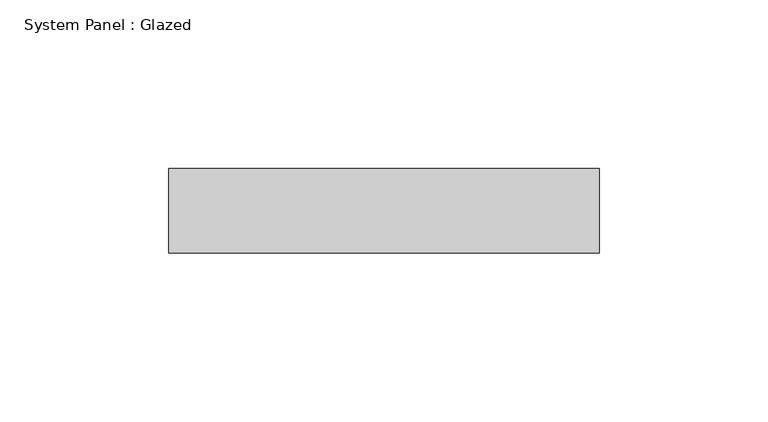
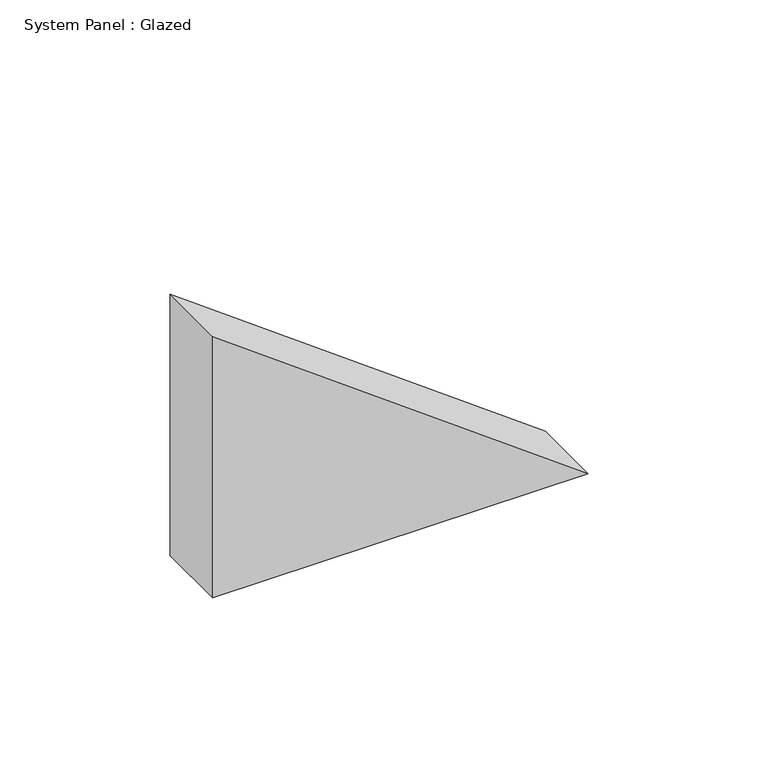
"""IFC4 building model written with IfcOpenShell, lengths in millimetres: plate geometry, System Panel : Glazed."""

from ifc_helpers import new_model, si_unit, frame, origin, place, context, project, spatial, polyline, outline, extrude, source, transform, mapped, element, save


def system_panel_glazed_c89cc32d(model_context):
    return source(origin(), model_context, "Body", "SweptSolid", [
        extrude(outline(polyline([(0.0, -63.7349079), (0.0, 63.7349079), (93.7318734, -63.7349079), (0.0, -63.7349079)])), frame((0.0, -49.5, 0.0), z_axis=(0.0, 1.0, 0.0), x_axis=(0.0, 0.0, 1.0)), (0.0, 0.0, 1.0), 25.0),
    ])


if __name__ == "__main__":
    model = new_model("IFC4")
    model_context = context("Model", 3, world=origin())
    ifc_project = project(units=[si_unit("LENGTHUNIT", "METRE", prefix="MILLI")], contexts=[model_context])
    site = spatial("IfcSite", under=ifc_project)
    building = spatial("IfcBuilding", under=site)
    placement = place(None, origin())
    system_panel_glazed_shape = system_panel_glazed_c89cc32d(model_context)
    element("IfcPlate", 1, ObjectType="System Panel : Glazed", at=placement, inside=building, context=model_context, shape_type="MappedRepresentation", body=[
        mapped(system_panel_glazed_shape, transform((0.0, 0.0, 0.0), x_axis=(1.0, 0.0, 0.0), y_axis=(0.0, 1.0, 0.0), z_axis=(0.0, 0.0, 1.0))),
    ])
    save(model, "model.ifc")
